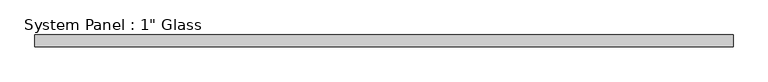
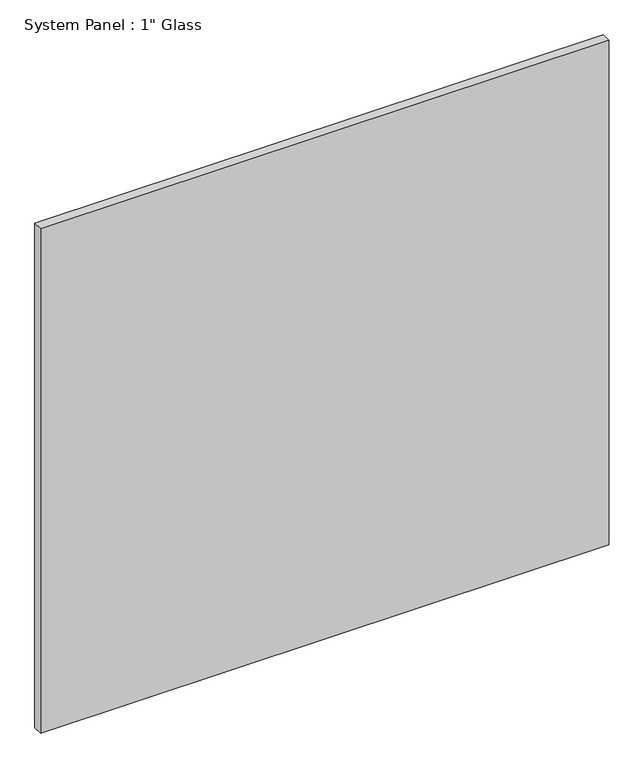
"""IFC4 building model written with IfcOpenShell, lengths in millimetres: plate geometry."""

from ifc_helpers import new_model, si_unit, origin, origin_with_axes, place, context, project, spatial, polyline, outline, extrude, source, transform, mapped, element, save


def plate_25994514(model_context):
    return source(origin(), model_context, "Body", "SweptSolid", [
        extrude(outline(polyline([(742.9508852, -12.7), (-742.9508852, -12.7), (-742.9508852, 12.7), (742.9508852, 12.7), (742.9508852, -12.7)])), origin_with_axes(), (0.0, 0.0, 1.0), 1393.1935408),
    ])


if __name__ == "__main__":
    model = new_model("IFC4")
    model_context = context("Model", 3, world=origin())
    ifc_project = project(units=[si_unit("LENGTHUNIT", "METRE", prefix="MILLI")], contexts=[model_context])
    site = spatial("IfcSite", under=ifc_project)
    building = spatial("IfcBuilding", under=site)
    placement = place(None, origin())
    plate_shape = plate_25994514(model_context)
    element("IfcPlate", 1, ObjectType="System Panel : 1\" Glass", at=placement, inside=building, context=model_context, shape_type="MappedRepresentation", body=[
        mapped(plate_shape, transform((0.0, 0.0, 0.0), x_axis=(1.0, 0.0, 0.0), y_axis=(0.0, 1.0, 0.0), z_axis=(0.0, 0.0, 1.0))),
    ])
    save(model, "model.ifc")
